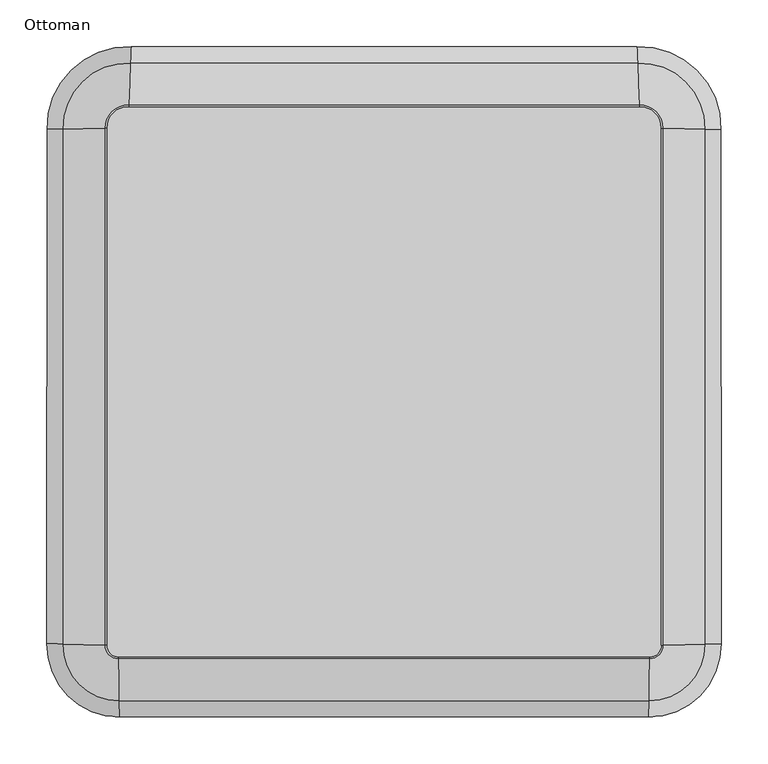
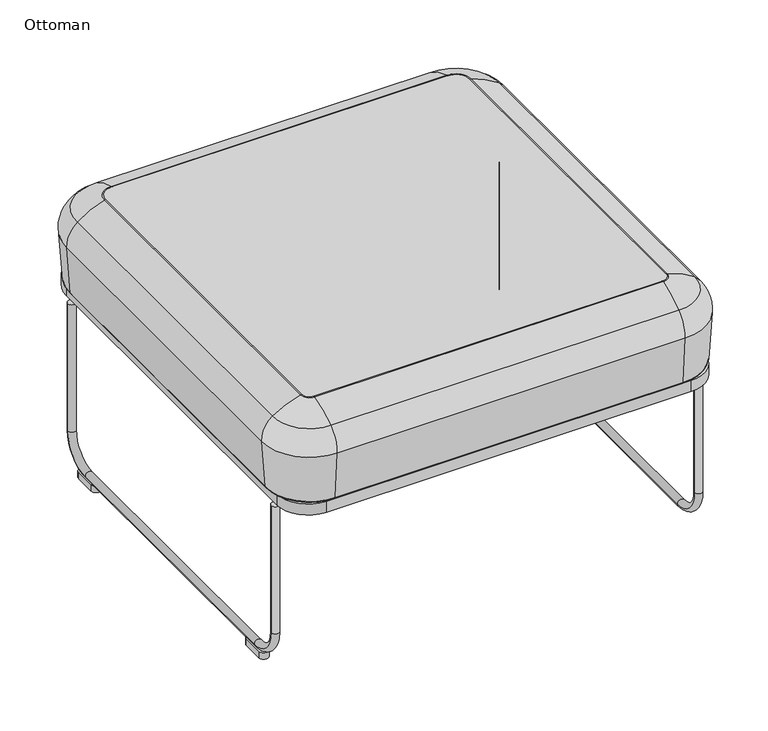
"""IFC4 building model written with IfcOpenShell, lengths in millimetres: furniture geometry, Ottoman."""

from ifc_helpers import new_model, si_unit, point, frame, frame_2d, origin, origin_with_axes, place, context, project, spatial, polyline, circle_curve, ellipse_curve, trimmed, segment, composite_curve, outline, extrude, source, transform, mapped, element, save
from ifc_brep_helpers import plane_surface, cylinder_surface, revolved_surface, advanced_brep


def ottoman_8e5f1be3(model_context):
    return source(origin(), model_context, "Body", "SolidModel", [
        advanced_brep(
        [(-167.4543852, -161.7092284, 425.107536), (396.0543852, -161.7092284, 425.107536), (396.8206981, -117.1105594, 446.6889113), (-168.2206981, -117.1105594, 446.6889113), (-167.1565501, -179.0429391, 387.7913652), (395.7565501, -179.0429391, 387.7913652), (-167.252074, -173.4835407, 308.2765291), (395.852074, -173.4835407, 308.2765291), (-167.3064873, -170.3167423, 305.3230059), (395.9064873, -170.3167423, 305.3230059), (396.8498064, -115.4164843, 446.9191268), (-168.2498064, -115.4164843, 446.9191268), (-180.9132091, -102.6612873, 446.9191268), (-182.6070297, -102.6199443, 446.6889113), (-227.1990008, -101.5315367, 425.107536), (-244.5301083, -101.1085164, 387.7913652), (-238.9715448, -101.2441906, 308.2765291), (-235.805222, -101.3214747, 305.3230059), (-180.8078426, 447.8185464, 446.9191268), (-182.5016789, 447.7778518, 446.6889113), (-227.0940634, 446.7065149, 425.107536), (-244.4253315, 446.2901293, 387.7913652), (-238.8667165, 446.4236756, 308.2765291), (-235.7003644, 446.4997476, 305.3230059), (-157.6631829, 470.5656909, 446.9191268), (-157.5931525, 472.2585681, 446.6889113), (-155.7495149, 516.8257031, 425.107536), (-155.0329671, 534.1471577, 387.7913652), (-155.2627837, 528.5916902, 308.2765291), (-155.3936941, 525.4271309, 305.3230059), (386.2631829, 470.5656909, 446.9191268), (386.1931525, 472.2585681, 446.6889113), (384.3495149, 516.8257031, 425.107536), (383.6329671, 534.1471577, 387.7913652), (383.8627837, 528.5916902, 308.2765291), (383.9936941, 525.4271309, 305.3230059), (409.4078426, 447.8185464, 446.9191268), (411.1016789, 447.7778518, 446.6889113), (455.6940634, 446.7065149, 425.107536), (473.0253315, 446.2901293, 387.7913652), (467.4667165, 446.4236756, 308.2765291), (464.3003644, 446.4997476, 305.3230059), (409.5132091, -102.6612873, 446.9191268), (411.2070297, -102.6199443, 446.6889113), (455.7990008, -101.5315367, 425.107536), (473.1301083, -101.1085164, 387.7913652), (467.5715448, -101.2441906, 308.2765291), (464.405222, -101.3214747, 305.3230059)],
        [
            (0, 1, circle_curve(frame((114.3, -16559.5410967, 425.107536), z_axis=(0.0, 0.0, -1.0), x_axis=(0.017179881139762494, 0.9998524149513385, 0.0)), 16400.2523003)),
            (1, 2, circle_curve(frame((397.4532216, -80.2983084, 313.7059939), z_axis=(-0.9998524149513385, 0.0171798811397625, 0.0), x_axis=(-0.0171798811397625, -0.9998524149513385, 0.0)), 137.9855)),
            (2, 3, circle_curve(frame((114.3, -16559.5410967, 446.6889113), z_axis=(0.0, 0.0, 1.0), x_axis=(0.017179881139762494, 0.9998524149513385, 0.0)), 16444.8575524)),
            (3, 0, circle_curve(frame((-168.8532216, -80.2983084, 313.7059939), z_axis=(0.9998524149513385, 0.017179881139762685, 0.0), x_axis=(0.017179881139762685, -0.9998524149513385, 0.0)), 137.9855)),
            (0, 4, circle_curve(frame((-167.8856877, -136.6078403, 390.7591544), z_axis=(0.9998524149513385, 0.017179881139762692, 0.0), x_axis=(0.017179881139762692, -0.9998524149513385, 0.0)), 42.545)),
            (4, 5, circle_curve(frame((114.3, -16559.5410967, 387.7913652), z_axis=(0.0, 0.0, -1.0), x_axis=(0.017179881139762494, 0.9998524149513385, 0.0)), 16382.9160311)),
            (5, 1, circle_curve(frame((396.4856877, -136.6078403, 390.7591544), z_axis=(-0.9998524149513385, 0.0171798811397625, 0.0), x_axis=(-0.0171798811397625, -0.9998524149513385, 0.0)), 42.545)),
            (4, 6),
            (6, 7, circle_curve(frame((114.3, -16559.5410967, 308.2765291), z_axis=(0.0, 0.0, -1.0), x_axis=(0.017179881139762494, 0.9998524149513385, 0.0)), 16388.4762501)),
            (7, 5),
            (6, 8, circle_curve(frame((-167.3064873, -170.3167423, 308.4980059), z_axis=(0.9998524149513385, 0.017179881139762685, 0.0), x_axis=(0.017179881139762685, -0.9998524149513385, 0.0)), 3.175)),
            (8, 9, circle_curve(frame((114.3, -16559.5410967, 305.3230059), z_axis=(0.0, 0.0, -1.0), x_axis=(0.017179881139762494, 0.9998524149513385, 0.0)), 16391.6435159)),
            (9, 7, circle_curve(frame((395.9064873, -170.3167423, 308.4980059), z_axis=(-0.9998524149513385, 0.0171798811397625, 0.0), x_axis=(-0.0171798811397625, -0.9998524149513385, 0.0)), 3.175)),
            (2, 10, circle_curve(frame((396.8498064, -115.4164843, 440.5691268), z_axis=(-0.9998524149513385, 0.0171798811397625, 0.0), x_axis=(-0.0171798811397625, -0.9998524149513385, 0.0)), 6.35)),
            (10, 11, circle_curve(frame((114.3, -16559.5410967, 446.9191268), z_axis=(0.0, 0.0, 1.0), x_axis=(0.017179881139762494, 0.9998524149513385, 0.0)), 16446.5518775)),
            (11, 3, circle_curve(frame((-168.2498064, -115.4164843, 440.5691268), z_axis=(0.9998524149513385, 0.017179881139762692, 0.0), x_axis=(0.017179881139762692, -0.9998524149513385, 0.0)), 6.35)),
            (11, 12, circle_curve(frame((-168.4637503, -102.9651556, 446.9191268), z_axis=(0.0, 0.0, -1.0), x_axis=(0.017179881139762807, -0.9998524149513385, 0.0)), 12.4531666)),
            (12, 13, circle_curve(frame((-180.9132091, -102.6612873, 440.5691268), z_axis=(-0.02440088431373543, -0.9997022540960422, 0.0), x_axis=(-0.9997022540960422, 0.02440088431373543, 0.0)), 6.35)),
            (13, 3, circle_curve(frame((-168.4637503, -102.9651556, 446.6889113), z_axis=(0.0, 0.0, 1.0), x_axis=(0.017179881139762807, -0.9998524149513385, 0.0)), 14.1474918)),
            (13, 14, circle_curve(frame((-145.8003073, -103.5183283, 313.7059939), z_axis=(-0.024400884314411137, -0.9997022540960256, 0.0), x_axis=(-0.9997022540960256, 0.024400884314411137, 0.0)), 137.9855)),
            (14, 0, circle_curve(frame((-168.4637503, -102.9651556, 425.107536), z_axis=(0.0, 0.0, 1.0), x_axis=(0.017179881139762807, -0.9998524149513385, 0.0)), 58.7527439)),
            (14, 15, circle_curve(frame((-202.1013825, -102.1441232, 390.7591544), z_axis=(-0.02440088431818522, -0.9997022540959335, 0.0), x_axis=(-0.9997022540959335, 0.02440088431818522, 0.0)), 42.545)),
            (15, 4, circle_curve(frame((-168.4637503, -102.9651556, 387.7913652), z_axis=(0.0, 0.0, 1.0), x_axis=(0.017179881139762807, -0.9998524149513385, 0.0)), 76.0890131)),
            (15, 16),
            (16, 6, circle_curve(frame((-168.4637503, -102.9651556, 308.2765291), z_axis=(0.0, 0.0, 1.0), x_axis=(0.017179881139762807, -0.9998524149513385, 0.0)), 70.5287941)),
            (16, 17, circle_curve(frame((-235.805222, -101.3214747, 308.4980059), z_axis=(-0.024400884318385444, -0.9997022540959286, 0.0), x_axis=(-0.9997022540959286, 0.024400884318385444, 0.0)), 3.175)),
            (17, 8, circle_curve(frame((-168.4637503, -102.9651556, 305.3230059), z_axis=(0.0, 0.0, 1.0), x_axis=(0.017179881139762807, -0.9998524149513385, 0.0)), 67.3615283)),
            (12, 18, circle_curve(frame((-11546.6003282, 174.7541286, 446.9191268), z_axis=(0.0, 0.0, 1.0), x_axis=(0.9997022540959043, -0.024400884319382744, 0.0)), 11369.0722138)),
            (18, 19, circle_curve(frame((-180.8078426, 447.8185464, 440.5691268), z_axis=(0.02401817955838131, -0.999711521915548, 0.0), x_axis=(-0.999711521915548, -0.02401817955838131, 0.0)), 6.35)),
            (19, 13, circle_curve(frame((-11546.6003282, 174.7541286, 446.6889113), z_axis=(0.0, 0.0, -1.0), x_axis=(0.9997022540959043, -0.024400884319382744, 0.0)), 11367.3778887)),
            (19, 20, circle_curve(frame((-145.6946153, 448.6621456, 313.7059939), z_axis=(0.02401817955838131, -0.999711521915548, 0.0), x_axis=(-0.999711521915548, -0.02401817955838131, 0.0)), 137.9855)),
            (20, 14, circle_curve(frame((-11546.6003282, 174.7541286, 425.107536), z_axis=(0.0, 0.0, -1.0), x_axis=(0.9997022540959043, -0.024400884319382744, 0.0)), 11322.7726366)),
            (20, 21, circle_curve(frame((-201.9962124, 447.3094935, 390.7591544), z_axis=(0.02401817955838131, -0.999711521915548, 0.0), x_axis=(-0.999711521915548, -0.02401817955838131, 0.0)), 42.545)),
            (21, 15, circle_curve(frame((-11546.6003282, 174.7541286, 387.7913652), z_axis=(0.0, 0.0, -1.0), x_axis=(0.9997022540959043, -0.024400884319382744, 0.0)), 11305.4363673)),
            (21, 22),
            (22, 16, circle_curve(frame((-11546.6003282, 174.7541286, 308.2765291), z_axis=(0.0, 0.0, -1.0), x_axis=(0.9997022540959043, -0.024400884319382744, 0.0)), 11310.9965863)),
            (22, 23, circle_curve(frame((-235.7003644, 446.4997476, 308.4980059), z_axis=(0.02401817955838131, -0.999711521915548, 0.0), x_axis=(-0.999711521915548, -0.02401817955838131, 0.0)), 3.175)),
            (23, 17, circle_curve(frame((-11546.6003282, 174.7541286, 305.3230059), z_axis=(0.0, 0.0, -1.0), x_axis=(0.9997022540959043, -0.024400884319382744, 0.0)), 11314.1638522)),
            (18, 24, circle_curve(frame((-158.5820894, 448.3525226, 446.9191268), z_axis=(0.0, 0.0, -1.0), x_axis=(-0.999711521915548, -0.024018179558381914, 0.0)), 22.2321666)),
            (24, 25, circle_curve(frame((-157.6631829, 470.5656909, 440.5691268), z_axis=(-0.9991454554224839, 0.04133229861255114, 0.0), x_axis=(0.04133229861255114, 0.9991454554224839, 0.0)), 6.35)),
            (25, 19, circle_curve(frame((-158.5820894, 448.3525226, 446.6889113), z_axis=(0.0, 0.0, 1.0), x_axis=(-0.999711521915548, -0.024018179558381914, 0.0)), 23.9264918)),
            (25, 26, circle_curve(frame((-159.1149121, 435.4723458, 313.7059939), z_axis=(-0.9991454554224782, 0.041332298612688015, 0.0), x_axis=(0.041332298612688015, 0.9991454554224782, 0.0)), 137.9855)),
            (26, 20, circle_curve(frame((-158.5820894, 448.3525226, 425.107536), z_axis=(0.0, 0.0, 1.0), x_axis=(-0.999711521915548, -0.024018179558381914, 0.0)), 68.5317439)),
            (26, 27, circle_curve(frame((-156.7871661, 491.7420632, 390.7591544), z_axis=(-0.9991454554224295, 0.04133229861386386, 0.0), x_axis=(0.04133229861386386, 0.9991454554224295, 0.0)), 42.545)),
            (27, 21, circle_curve(frame((-158.5820894, 448.3525226, 387.7913652), z_axis=(0.0, 0.0, 1.0), x_axis=(-0.999711521915548, -0.024018179558381914, 0.0)), 85.8680131)),
            (27, 28),
            (28, 22, circle_curve(frame((-158.5820894, 448.3525226, 308.2765291), z_axis=(0.0, 0.0, 1.0), x_axis=(-0.999711521915548, -0.024018179558381914, 0.0)), 80.3077941)),
            (28, 29, circle_curve(frame((-155.3936941, 525.4271309, 308.4980059), z_axis=(-0.9991454554224257, 0.0413322986139566, 0.0), x_axis=(0.0413322986139566, 0.9991454554224257, 0.0)), 3.175)),
            (29, 23, circle_curve(frame((-158.5820894, 448.3525226, 305.3230059), z_axis=(0.0, 0.0, 1.0), x_axis=(-0.999711521915548, -0.024018179558381914, 0.0)), 77.1405283)),
            (24, 30, circle_curve(frame((114.3, 7044.862, 446.9191268), z_axis=(0.0, 0.0, 1.0), x_axis=(-0.04133229861449432, -0.9991454554224036, 0.0)), 6579.9191433)),
            (30, 31, circle_curve(frame((386.2631829, 470.5656909, 440.5691268), z_axis=(-0.999145455422404, -0.041332298614487555, 0.0), x_axis=(-0.041332298614487555, 0.999145455422404, 0.0)), 6.35)),
            (31, 25, circle_curve(frame((114.3, 7044.862, 446.6889113), z_axis=(0.0, 0.0, -1.0), x_axis=(-0.04133229861449432, -0.9991454554224036, 0.0)), 6578.2248182)),
            (31, 32, circle_curve(frame((387.7149121, 435.4723458, 313.7059939), z_axis=(-0.999145455422404, -0.04133229861448754, 0.0), x_axis=(-0.04133229861448754, 0.999145455422404, 0.0)), 137.9855)),
            (32, 26, circle_curve(frame((114.3, 7044.862, 425.107536), z_axis=(0.0, 0.0, -1.0), x_axis=(-0.04133229861449432, -0.9991454554224036, 0.0)), 6533.6195661)),
            (32, 33, circle_curve(frame((385.3871661, 491.7420632, 390.7591544), z_axis=(-0.999145455422404, -0.04133229861448754, 0.0), x_axis=(-0.04133229861448754, 0.999145455422404, 0.0)), 42.545)),
            (33, 27, circle_curve(frame((114.3, 7044.862, 387.7913652), z_axis=(0.0, 0.0, -1.0), x_axis=(-0.04133229861449432, -0.9991454554224036, 0.0)), 6516.2832968)),
            (33, 34),
            (34, 28, circle_curve(frame((114.3, 7044.862, 308.2765291), z_axis=(0.0, 0.0, -1.0), x_axis=(-0.04133229861449432, -0.9991454554224036, 0.0)), 6521.8435158)),
            (34, 35, circle_curve(frame((383.9936941, 525.4271309, 308.4980059), z_axis=(-0.999145455422404, -0.04133229861448754, 0.0), x_axis=(-0.04133229861448754, 0.999145455422404, 0.0)), 3.175)),
            (35, 29, circle_curve(frame((114.3, 7044.862, 305.3230059), z_axis=(0.0, 0.0, -1.0), x_axis=(-0.04133229861449432, -0.9991454554224036, 0.0)), 6525.0107817)),
            (30, 36, circle_curve(frame((387.1820894, 448.3525226, 446.9191268), z_axis=(0.0, 0.0, -1.0), x_axis=(-0.04133229861448754, 0.9991454554224038, 0.0)), 22.2321666)),
            (36, 37, circle_curve(frame((409.4078426, 447.8185464, 440.5691268), z_axis=(0.024018179558418673, 0.9997115219155471, 0.0), x_axis=(0.9997115219155471, -0.024018179558418673, 0.0)), 6.35)),
            (37, 31, circle_curve(frame((387.1820894, 448.3525226, 446.6889113), z_axis=(0.0, 0.0, 1.0), x_axis=(-0.04133229861448754, 0.9991454554224038, 0.0)), 23.9264918)),
            (37, 38, circle_curve(frame((374.2946153, 448.6621456, 313.7059939), z_axis=(0.02401817955841845, 0.9997115219155471, 0.0), x_axis=(0.9997115219155471, -0.02401817955841845, 0.0)), 137.9855)),
            (38, 32, circle_curve(frame((387.1820894, 448.3525226, 425.107536), z_axis=(0.0, 0.0, 1.0), x_axis=(-0.04133229861448754, 0.9991454554224038, 0.0)), 68.5317439)),
            (38, 39, circle_curve(frame((430.5962124, 447.3094935, 390.7591544), z_axis=(0.024018179558392264, 0.9997115219155478, 0.0), x_axis=(0.9997115219155478, -0.024018179558392264, 0.0)), 42.545)),
            (39, 33, circle_curve(frame((387.1820894, 448.3525226, 387.7913652), z_axis=(0.0, 0.0, 1.0), x_axis=(-0.04133229861448754, 0.9991454554224038, 0.0)), 85.8680131)),
            (39, 40),
            (40, 34, circle_curve(frame((387.1820894, 448.3525226, 308.2765291), z_axis=(0.0, 0.0, 1.0), x_axis=(-0.04133229861448754, 0.9991454554224038, 0.0)), 80.3077941)),
            (40, 41, circle_curve(frame((464.3003644, 446.4997476, 308.4980059), z_axis=(0.02401817955839182, 0.9997115219155477, 0.0), x_axis=(0.9997115219155477, -0.02401817955839182, 0.0)), 3.175)),
            (41, 35, circle_curve(frame((387.1820894, 448.3525226, 305.3230059), z_axis=(0.0, 0.0, 1.0), x_axis=(-0.04133229861448754, 0.9991454554224038, 0.0)), 77.1405283)),
            (36, 42, circle_curve(frame((11775.2003282, 174.7541286, 446.9191268), z_axis=(0.0, 0.0, 1.0), x_axis=(-0.9997115219155481, 0.024018179558381127, 0.0)), 11369.0722138)),
            (42, 43, circle_curve(frame((409.5132091, -102.6612873, 440.5691268), z_axis=(-0.0244008843193764, 0.9997022540959045, 0.0), x_axis=(0.9997022540959045, 0.0244008843193764, 0.0)), 6.35)),
            (43, 37, circle_curve(frame((11775.2003282, 174.7541286, 446.6889113), z_axis=(0.0, 0.0, -1.0), x_axis=(-0.9997115219155481, 0.024018179558381127, 0.0)), 11367.3778887)),
            (43, 44, circle_curve(frame((374.4003073, -103.5183283, 313.7059939), z_axis=(-0.024400884319376395, 0.9997022540959045, 0.0), x_axis=(0.9997022540959045, 0.024400884319376395, 0.0)), 137.9855)),
            (44, 38, circle_curve(frame((11775.2003282, 174.7541286, 425.107536), z_axis=(0.0, 0.0, -1.0), x_axis=(-0.9997115219155481, 0.024018179558381127, 0.0)), 11322.7726366)),
            (44, 45, circle_curve(frame((430.7013825, -102.1441232, 390.7591544), z_axis=(-0.024400884319376353, 0.9997022540959045, 0.0), x_axis=(0.9997022540959045, 0.024400884319376353, 0.0)), 42.545)),
            (45, 39, circle_curve(frame((11775.2003282, 174.7541286, 387.7913652), z_axis=(0.0, 0.0, -1.0), x_axis=(-0.9997115219155481, 0.024018179558381127, 0.0)), 11305.4363673)),
            (45, 46),
            (46, 40, circle_curve(frame((11775.2003282, 174.7541286, 308.2765291), z_axis=(0.0, 0.0, -1.0), x_axis=(-0.9997115219155481, 0.024018179558381127, 0.0)), 11310.9965863)),
            (46, 47, circle_curve(frame((464.405222, -101.3214747, 308.4980059), z_axis=(-0.024400884319376346, 0.9997022540959045, 0.0), x_axis=(0.9997022540959045, 0.024400884319376346, 0.0)), 3.175)),
            (47, 41, circle_curve(frame((11775.2003282, 174.7541286, 305.3230059), z_axis=(0.0, 0.0, -1.0), x_axis=(-0.9997115219155481, 0.024018179558381127, 0.0)), 11314.1638522)),
            (10, 42, circle_curve(frame((397.0637503, -102.9651556, 446.9191268), z_axis=(0.0, 0.0, 1.0), x_axis=(0.9997022540959042, 0.0244008843193877, 0.0)), 12.4531666)),
            (2, 43, circle_curve(frame((397.0637503, -102.9651556, 446.6889113), z_axis=(0.0, 0.0, 1.0), x_axis=(0.9997022540959042, 0.0244008843193877, 0.0)), 14.1474918)),
            (1, 44, circle_curve(frame((397.0637503, -102.9651556, 425.107536), z_axis=(0.0, 0.0, 1.0), x_axis=(0.9997022540959042, 0.0244008843193877, 0.0)), 58.7527439)),
            (5, 45, circle_curve(frame((397.0637503, -102.9651556, 387.7913652), z_axis=(0.0, 0.0, 1.0), x_axis=(0.9997022540959042, 0.0244008843193877, 0.0)), 76.0890131)),
            (7, 46, circle_curve(frame((397.0637503, -102.9651556, 308.2765291), z_axis=(0.0, 0.0, 1.0), x_axis=(0.9997022540959042, 0.0244008843193877, 0.0)), 70.5287941)),
            (9, 47, circle_curve(frame((397.0637503, -102.9651556, 305.3230059), z_axis=(0.0, 0.0, 1.0), x_axis=(0.9997022540959042, 0.0244008843193877, 0.0)), 67.3615283)),
        ],
        [
            revolved_surface(trimmed(ellipse_curve(frame((397.4532216, -80.2983084, 313.7059939), z_axis=(0.9998524149513385, -0.0171798811397625, 0.0), x_axis=(-0.0171798811397625, -0.9998524149513385, 0.0)), 137.9855, 137.9855), [point((396.8206981, -117.1105594, 446.6889113))], [point((396.0543852, -161.7092284, 425.107536))], True, "CARTESIAN"), (114.3, -16559.5410967, 431.8), (0.0, 0.0, 1.0)),
            revolved_surface(trimmed(ellipse_curve(frame((396.4856877, -136.6078403, 390.7591544), z_axis=(0.9998524149513385, -0.0171798811397625, 0.0), x_axis=(-0.0171798811397625, -0.9998524149513385, 0.0)), 42.545, 42.545), [point((396.0543852, -161.7092284, 425.107536))], [point((395.7565501, -179.0429391, 387.7913652))], True, "CARTESIAN"), (114.3, -16559.5410967, 431.8), (0.0, 0.0, 1.0)),
            revolved_surface(polyline([(395.7565501, -179.0429391, 387.7913652), (395.852074, -173.4835407, 308.2765291)]), (114.3, -16559.5410967, 431.8), (0.0, 0.0, 1.0)),
            revolved_surface(trimmed(ellipse_curve(frame((395.9064873, -170.3167423, 308.4980059), z_axis=(0.9998524149513385, -0.0171798811397625, 0.0), x_axis=(-0.0171798811397625, -0.9998524149513385, 0.0)), 3.175, 3.175), [point((395.852074, -173.4835407, 308.2765291))], [point((395.9064873, -170.3167423, 305.3230059))], True, "CARTESIAN"), (114.3, -16559.5410967, 431.8), (0.0, 0.0, 1.0)),
            revolved_surface(trimmed(ellipse_curve(frame((396.8498064, -115.4164843, 440.5691268), z_axis=(0.9998524149513385, -0.0171798811397625, 0.0), x_axis=(-0.0171798811397625, -0.9998524149513385, 0.0)), 6.35, 6.35), [point((396.8498064, -115.4164843, 446.9191268))], [point((396.8206981, -117.1105594, 446.6889113))], True, "CARTESIAN"), (114.3, -16559.5410967, 431.8), (0.0, 0.0, 1.0)),
            revolved_surface(trimmed(ellipse_curve(frame((-168.2498064, -115.4164843, 440.5691268), z_axis=(0.9998524149513385, 0.017179881139762845, 0.0), x_axis=(0.017179881139762845, -0.9998524149513385, 0.0)), 6.35, 6.35), [point((-168.2498064, -115.4164843, 446.9191268))], [point((-168.2206981, -117.1105594, 446.6889113))], True, "CARTESIAN"), (-168.4637503, -102.9651556, 431.8), (0.0, 0.0, -1.0)),
            revolved_surface(trimmed(ellipse_curve(frame((-168.8532216, -80.2983084, 313.7059939), z_axis=(0.9998524149513385, 0.017179881139762845, 0.0), x_axis=(0.017179881139762845, -0.9998524149513385, 0.0)), 137.9855, 137.9855), [point((-168.2206981, -117.1105594, 446.6889113))], [point((-167.4543852, -161.7092284, 425.107536))], True, "CARTESIAN"), (-168.4637503, -102.9651556, 431.8), (0.0, 0.0, -1.0)),
            revolved_surface(trimmed(ellipse_curve(frame((-167.8856877, -136.6078403, 390.7591544), z_axis=(0.9998524149513385, 0.017179881139762845, 0.0), x_axis=(0.017179881139762845, -0.9998524149513385, 0.0)), 42.545, 42.545), [point((-167.4543852, -161.7092284, 425.107536))], [point((-167.1565501, -179.0429391, 387.7913652))], True, "CARTESIAN"), (-168.4637503, -102.9651556, 431.8), (0.0, 0.0, -1.0)),
            revolved_surface(polyline([(-167.1565501, -179.0429391, 387.7913652), (-167.252074, -173.4835407, 308.2765291)]), (-168.4637503, -102.9651556, 431.8), (0.0, 0.0, -1.0)),
            revolved_surface(trimmed(ellipse_curve(frame((-167.3064873, -170.3167423, 308.4980059), z_axis=(0.9998524149513385, 0.017179881139762845, 0.0), x_axis=(0.017179881139762845, -0.9998524149513385, 0.0)), 3.175, 3.175), [point((-167.252074, -173.4835407, 308.2765291))], [point((-167.3064873, -170.3167423, 305.3230059))], True, "CARTESIAN"), (-168.4637503, -102.9651556, 431.8), (0.0, 0.0, -1.0)),
            revolved_surface(trimmed(ellipse_curve(frame((-180.9132091, -102.6612873, 440.5691268), z_axis=(-0.024400884319382782, -0.9997022540959043, 0.0), x_axis=(-0.9997022540959043, 0.024400884319382782, 0.0)), 6.35, 6.35), [point((-180.9132091, -102.6612873, 446.9191268))], [point((-182.6070297, -102.6199443, 446.6889113))], True, "CARTESIAN"), (-11546.6003282, 174.7541286, 431.8), (0.0, 0.0, 1.0)),
            revolved_surface(trimmed(ellipse_curve(frame((-145.8003073, -103.5183283, 313.7059939), z_axis=(-0.024400884319382782, -0.9997022540959043, 0.0), x_axis=(-0.9997022540959043, 0.024400884319382782, 0.0)), 137.9855, 137.9855), [point((-182.6070297, -102.6199443, 446.6889113))], [point((-227.1990008, -101.5315367, 425.107536))], True, "CARTESIAN"), (-11546.6003282, 174.7541286, 431.8), (0.0, 0.0, 1.0)),
            revolved_surface(trimmed(ellipse_curve(frame((-202.1013825, -102.1441232, 390.7591544), z_axis=(-0.024400884319382782, -0.9997022540959043, 0.0), x_axis=(-0.9997022540959043, 0.024400884319382782, 0.0)), 42.545, 42.545), [point((-227.1990008, -101.5315367, 425.107536))], [point((-244.5301083, -101.1085164, 387.7913652))], True, "CARTESIAN"), (-11546.6003282, 174.7541286, 431.8), (0.0, 0.0, 1.0)),
            revolved_surface(polyline([(-244.5301083, -101.1085164, 387.7913652), (-238.9715448, -101.2441906, 308.2765291)]), (-11546.6003282, 174.7541286, 431.8), (0.0, 0.0, 1.0)),
            revolved_surface(trimmed(ellipse_curve(frame((-235.805222, -101.3214747, 308.4980059), z_axis=(-0.024400884319382782, -0.9997022540959043, 0.0), x_axis=(-0.9997022540959043, 0.024400884319382782, 0.0)), 3.175, 3.175), [point((-238.9715448, -101.2441906, 308.2765291))], [point((-235.805222, -101.3214747, 305.3230059))], True, "CARTESIAN"), (-11546.6003282, 174.7541286, 431.8), (0.0, 0.0, 1.0)),
            revolved_surface(trimmed(ellipse_curve(frame((-180.8078426, 447.8185464, 440.5691268), z_axis=(0.024018179558381945, -0.999711521915548, 0.0), x_axis=(-0.999711521915548, -0.024018179558381945, 0.0)), 6.35, 6.35), [point((-180.8078426, 447.8185464, 446.9191268))], [point((-182.5016789, 447.7778518, 446.6889113))], True, "CARTESIAN"), (-158.5820894, 448.3525226, 431.8), (0.0, 0.0, -1.0)),
            revolved_surface(trimmed(ellipse_curve(frame((-145.6946153, 448.6621456, 313.7059939), z_axis=(0.024018179558381945, -0.999711521915548, 0.0), x_axis=(-0.999711521915548, -0.024018179558381945, 0.0)), 137.9855, 137.9855), [point((-182.5016789, 447.7778518, 446.6889113))], [point((-227.0940634, 446.7065149, 425.107536))], True, "CARTESIAN"), (-158.5820894, 448.3525226, 431.8), (0.0, 0.0, -1.0)),
            revolved_surface(trimmed(ellipse_curve(frame((-201.9962124, 447.3094935, 390.7591544), z_axis=(0.024018179558381945, -0.999711521915548, 0.0), x_axis=(-0.999711521915548, -0.024018179558381945, 0.0)), 42.545, 42.545), [point((-227.0940634, 446.7065149, 425.107536))], [point((-244.4253315, 446.2901293, 387.7913652))], True, "CARTESIAN"), (-158.5820894, 448.3525226, 431.8), (0.0, 0.0, -1.0)),
            revolved_surface(polyline([(-244.4253315, 446.2901293, 387.7913652), (-238.8667165, 446.4236756, 308.2765291)]), (-158.5820894, 448.3525226, 431.8), (0.0, 0.0, -1.0)),
            revolved_surface(trimmed(ellipse_curve(frame((-235.7003644, 446.4997476, 308.4980059), z_axis=(0.024018179558381945, -0.999711521915548, 0.0), x_axis=(-0.999711521915548, -0.024018179558381945, 0.0)), 3.175, 3.175), [point((-238.8667165, 446.4236756, 308.2765291))], [point((-235.7003644, 446.4997476, 305.3230059))], True, "CARTESIAN"), (-158.5820894, 448.3525226, 431.8), (0.0, 0.0, -1.0)),
            revolved_surface(trimmed(ellipse_curve(frame((-157.6631829, 470.5656909, 440.5691268), z_axis=(-0.9991454554224036, 0.041332298614494264, 0.0), x_axis=(0.041332298614494264, 0.9991454554224036, 0.0)), 6.35, 6.35), [point((-157.6631829, 470.5656909, 446.9191268))], [point((-157.5931525, 472.2585681, 446.6889113))], True, "CARTESIAN"), (114.3, 7044.862, 431.8), (0.0, 0.0, 1.0)),
            revolved_surface(trimmed(ellipse_curve(frame((-159.1149121, 435.4723458, 313.7059939), z_axis=(-0.9991454554224036, 0.041332298614494264, 0.0), x_axis=(0.041332298614494264, 0.9991454554224036, 0.0)), 137.9855, 137.9855), [point((-157.5931525, 472.2585681, 446.6889113))], [point((-155.7495149, 516.8257031, 425.107536))], True, "CARTESIAN"), (114.3, 7044.862, 431.8), (0.0, 0.0, 1.0)),
            revolved_surface(trimmed(ellipse_curve(frame((-156.7871661, 491.7420632, 390.7591544), z_axis=(-0.9991454554224036, 0.041332298614494264, 0.0), x_axis=(0.041332298614494264, 0.9991454554224036, 0.0)), 42.545, 42.545), [point((-155.7495149, 516.8257031, 425.107536))], [point((-155.0329671, 534.1471577, 387.7913652))], True, "CARTESIAN"), (114.3, 7044.862, 431.8), (0.0, 0.0, 1.0)),
            revolved_surface(polyline([(-155.0329671, 534.1471577, 387.7913652), (-155.2627837, 528.5916902, 308.2765291)]), (114.3, 7044.862, 431.8), (0.0, 0.0, 1.0)),
            revolved_surface(trimmed(ellipse_curve(frame((-155.3936941, 525.4271309, 308.4980059), z_axis=(-0.9991454554224036, 0.041332298614494264, 0.0), x_axis=(0.041332298614494264, 0.9991454554224036, 0.0)), 3.175, 3.175), [point((-155.2627837, 528.5916902, 308.2765291))], [point((-155.3936941, 525.4271309, 305.3230059))], True, "CARTESIAN"), (114.3, 7044.862, 431.8), (0.0, 0.0, 1.0)),
            revolved_surface(trimmed(ellipse_curve(frame((386.2631829, 470.5656909, 440.5691268), z_axis=(-0.9991454554224038, -0.0413322986144876, 0.0), x_axis=(-0.0413322986144876, 0.9991454554224038, 0.0)), 6.35, 6.35), [point((386.2631829, 470.5656909, 446.9191268))], [point((386.1931525, 472.2585681, 446.6889113))], True, "CARTESIAN"), (387.1820894, 448.3525226, 431.8), (0.0, 0.0, -1.0)),
            revolved_surface(trimmed(ellipse_curve(frame((387.7149121, 435.4723458, 313.7059939), z_axis=(-0.9991454554224038, -0.0413322986144876, 0.0), x_axis=(-0.0413322986144876, 0.9991454554224038, 0.0)), 137.9855, 137.9855), [point((386.1931525, 472.2585681, 446.6889113))], [point((384.3495149, 516.8257031, 425.107536))], True, "CARTESIAN"), (387.1820894, 448.3525226, 431.8), (0.0, 0.0, -1.0)),
            revolved_surface(trimmed(ellipse_curve(frame((385.3871661, 491.7420632, 390.7591544), z_axis=(-0.9991454554224038, -0.0413322986144876, 0.0), x_axis=(-0.0413322986144876, 0.9991454554224038, 0.0)), 42.545, 42.545), [point((384.3495149, 516.8257031, 425.107536))], [point((383.6329671, 534.1471577, 387.7913652))], True, "CARTESIAN"), (387.1820894, 448.3525226, 431.8), (0.0, 0.0, -1.0)),
            revolved_surface(polyline([(383.6329671, 534.1471577, 387.7913652), (383.8627837, 528.5916902, 308.2765291)]), (387.1820894, 448.3525226, 431.8), (0.0, 0.0, -1.0)),
            revolved_surface(trimmed(ellipse_curve(frame((383.9936941, 525.4271309, 308.4980059), z_axis=(-0.9991454554224038, -0.0413322986144876, 0.0), x_axis=(-0.0413322986144876, 0.9991454554224038, 0.0)), 3.175, 3.175), [point((383.8627837, 528.5916902, 308.2765291))], [point((383.9936941, 525.4271309, 305.3230059))], True, "CARTESIAN"), (387.1820894, 448.3525226, 431.8), (0.0, 0.0, -1.0)),
            revolved_surface(trimmed(ellipse_curve(frame((409.4078426, 447.8185464, 440.5691268), z_axis=(0.024018179558381064, 0.9997115219155481, 0.0), x_axis=(0.9997115219155481, -0.024018179558381064, 0.0)), 6.35, 6.35), [point((409.4078426, 447.8185464, 446.9191268))], [point((411.1016789, 447.7778518, 446.6889113))], True, "CARTESIAN"), (11775.2003282, 174.7541286, 431.8), (0.0, 0.0, 1.0)),
            revolved_surface(trimmed(ellipse_curve(frame((374.2946153, 448.6621456, 313.7059939), z_axis=(0.024018179558381064, 0.9997115219155481, 0.0), x_axis=(0.9997115219155481, -0.024018179558381064, 0.0)), 137.9855, 137.9855), [point((411.1016789, 447.7778518, 446.6889113))], [point((455.6940634, 446.7065149, 425.107536))], True, "CARTESIAN"), (11775.2003282, 174.7541286, 431.8), (0.0, 0.0, 1.0)),
            revolved_surface(trimmed(ellipse_curve(frame((430.5962124, 447.3094935, 390.7591544), z_axis=(0.024018179558381064, 0.9997115219155481, 0.0), x_axis=(0.9997115219155481, -0.024018179558381064, 0.0)), 42.545, 42.545), [point((455.6940634, 446.7065149, 425.107536))], [point((473.0253315, 446.2901293, 387.7913652))], True, "CARTESIAN"), (11775.2003282, 174.7541286, 431.8), (0.0, 0.0, 1.0)),
            revolved_surface(polyline([(473.0253315, 446.2901293, 387.7913652), (467.4667165, 446.4236756, 308.2765291)]), (11775.2003282, 174.7541286, 431.8), (0.0, 0.0, 1.0)),
            revolved_surface(trimmed(ellipse_curve(frame((464.3003644, 446.4997476, 308.4980059), z_axis=(0.024018179558381064, 0.9997115219155481, 0.0), x_axis=(0.9997115219155481, -0.024018179558381064, 0.0)), 3.175, 3.175), [point((467.4667165, 446.4236756, 308.2765291))], [point((464.3003644, 446.4997476, 305.3230059))], True, "CARTESIAN"), (11775.2003282, 174.7541286, 431.8), (0.0, 0.0, 1.0)),
            plane_surface(frame((397.0637503, -102.9651556, 446.9191268), z_axis=(0.0, 0.0, 1.0), x_axis=(0.9997022540959043, 0.024400884319387705, 0.0))),
            revolved_surface(trimmed(ellipse_curve(frame((409.5132091, -102.6612873, 440.5691268), z_axis=(-0.02440088431938776, 0.9997022540959042, 0.0), x_axis=(0.9997022540959042, 0.02440088431938776, 0.0)), 6.35, 6.35), [point((409.5132091, -102.6612873, 446.9191268))], [point((411.2070297, -102.6199443, 446.6889113))], True, "CARTESIAN"), (397.0637503, -102.9651556, 431.8), (0.0, 0.0, -1.0)),
            revolved_surface(trimmed(ellipse_curve(frame((374.4003073, -103.5183283, 313.7059939), z_axis=(-0.02440088431938776, 0.9997022540959042, 0.0), x_axis=(0.9997022540959042, 0.02440088431938776, 0.0)), 137.9855, 137.9855), [point((411.2070297, -102.6199443, 446.6889113))], [point((455.7990008, -101.5315367, 425.107536))], True, "CARTESIAN"), (397.0637503, -102.9651556, 431.8), (0.0, 0.0, -1.0)),
            revolved_surface(trimmed(ellipse_curve(frame((430.7013825, -102.1441232, 390.7591544), z_axis=(-0.02440088431938776, 0.9997022540959042, 0.0), x_axis=(0.9997022540959042, 0.02440088431938776, 0.0)), 42.545, 42.545), [point((455.7990008, -101.5315367, 425.107536))], [point((473.1301083, -101.1085164, 387.7913652))], True, "CARTESIAN"), (397.0637503, -102.9651556, 431.8), (0.0, 0.0, -1.0)),
            revolved_surface(polyline([(473.1301083, -101.1085164, 387.7913652), (467.5715448, -101.2441906, 308.2765291)]), (397.0637503, -102.9651556, 431.8), (0.0, 0.0, -1.0)),
            revolved_surface(trimmed(ellipse_curve(frame((464.405222, -101.3214747, 308.4980059), z_axis=(-0.02440088431938776, 0.9997022540959042, 0.0), x_axis=(0.9997022540959042, 0.02440088431938776, 0.0)), 3.175, 3.175), [point((467.5715448, -101.2441906, 308.2765291))], [point((464.405222, -101.3214747, 305.3230059))], True, "CARTESIAN"), (397.0637503, -102.9651556, 431.8), (0.0, 0.0, -1.0)),
            plane_surface(frame((397.0637503, -102.9651556, 305.3230059), z_axis=(0.0, 0.0, -1.0), x_axis=(0.9997022540959043, 0.024400884319387705, 0.0))),
        ],
        [
            (0, [[1, 2, 3, 4]]),
            (1, [[-1, 5, 6, 7]]),
            (2, [[-6, 8, 9, 10]]),
            (3, [[-9, 11, 12, 13]]),
            (4, [[-3, 14, 15, 16]]),
            (5, [[-16, 17, 18, 19]]),
            (6, [[-4, -19, 20, 21]]),
            (7, [[-5, -21, 22, 23]]),
            (8, [[-8, -23, 24, 25]]),
            (9, [[-11, -25, 26, 27]]),
            (10, [[-18, 28, 29, 30]]),
            (11, [[-20, -30, 31, 32]]),
            (12, [[-22, -32, 33, 34]]),
            (13, [[-24, -34, 35, 36]]),
            (14, [[-26, -36, 37, 38]]),
            (15, [[-29, 39, 40, 41]]),
            (16, [[-31, -41, 42, 43]]),
            (17, [[-33, -43, 44, 45]]),
            (18, [[-35, -45, 46, 47]]),
            (19, [[-37, -47, 48, 49]]),
            (20, [[-40, 50, 51, 52]]),
            (21, [[-42, -52, 53, 54]]),
            (22, [[-44, -54, 55, 56]]),
            (23, [[-46, -56, 57, 58]]),
            (24, [[-48, -58, 59, 60]]),
            (25, [[-51, 61, 62, 63]]),
            (26, [[-53, -63, 64, 65]]),
            (27, [[-55, -65, 66, 67]]),
            (28, [[-57, -67, 68, 69]]),
            (29, [[-59, -69, 70, 71]]),
            (30, [[-62, 72, 73, 74]]),
            (31, [[-64, -74, 75, 76]]),
            (32, [[-66, -76, 77, 78]]),
            (33, [[-68, -78, 79, 80]]),
            (34, [[-70, -80, 81, 82]]),
            (35, [[-15, 83, -72, -61, -50, -39, -28, -17]]),
            (36, [[-14, 84, -73, -83]]),
            (37, [[-2, 85, -75, -84]]),
            (38, [[-7, 86, -77, -85]]),
            (39, [[-10, 87, -79, -86]]),
            (40, [[-13, 88, -81, -87]]),
            (41, [[-12, -27, -38, -49, -60, -71, -82, -88]]),
        ],
    ),
        extrude(outline(polyline([(-227.6825349, -104.6783184), (-227.6825349, -66.5997924), (456.2825349, -66.5997924), (456.2825349, -104.6783184), (-227.6825349, -104.6783184)])), frame((0.0, 0.0, 283.1300109), z_axis=(0.0, 0.0, 1.0), x_axis=(1.0, 0.0, 0.0)), (0.0, 0.0, 1.0), 3.3459985),
        extrude(outline(polyline([(-227.6825349, 415.8008769), (-227.6825349, 453.8794029), (456.2825349, 453.8794029), (456.2825349, 415.8008769), (-227.6825349, 415.8008769)])), frame((0.0, 0.0, 283.1300109), z_axis=(0.0, 0.0, 1.0), x_axis=(1.0, 0.0, 0.0)), (0.0, 0.0, 1.0), 3.3459985),
        extrude(outline(composite_curve([segment(trimmed(circle_curve(frame_2d((-228.6590435, 427.5637247)), 7.8798642), [point((-236.5389076, 427.5654728))], [point((-220.7791795, 427.5654522))], False, "CARTESIAN"), True, "CONTINUOUS"), segment(polyline([(-220.7791795, 427.5654522), (-220.7715736, 392.8721387)]), True, "CONTINUOUS"), segment(trimmed(circle_curve(frame_2d((-228.6590888, 392.8704094)), 7.8875154), [point((-220.7715736, 392.8721387))], [point((-236.5466041, 392.8721592))], False, "CARTESIAN"), True, "CONTINUOUS"), segment(polyline([(-236.5466041, 392.8721592), (-236.5389076, 427.5654728)]), True, "CONTINUOUS")], self_intersect=False)), origin_with_axes(), (0.0, 0.0, 1.0), 11.1144914),
        extrude(outline(composite_curve([segment(trimmed(circle_curve(frame_2d((-228.6593802, -43.605474)), 7.8875176), [point((-236.5468976, -43.6072238))], [point((-220.7718628, -43.6072238))], False, "CARTESIAN"), True, "CONTINUOUS"), segment(polyline([(-220.7718628, -43.6072238), (-220.7795748, -78.3703547)]), True, "CONTINUOUS"), segment(trimmed(circle_curve(frame_2d((-228.6593802, -78.3686066)), 7.8798056), [point((-220.7795748, -78.3703547))], [point((-236.5391857, -78.3703547))], False, "CARTESIAN"), True, "CONTINUOUS"), segment(polyline([(-236.5391857, -78.3703547), (-236.5468976, -43.6072238)]), True, "CONTINUOUS")], self_intersect=False)), origin_with_axes(), (0.0, 0.0, 1.0), 11.1144914),
        extrude(outline(composite_curve([segment(polyline([(460.5725137, 470.061898), (460.5725137, -120.8400015)]), True, "CONTINUOUS"), segment(trimmed(circle_curve(frame_2d((409.7725137, -120.8400015)), 50.8), [point((460.5725137, -120.8400015))], [point((409.7725137, -171.6400015))], False, "CARTESIAN"), True, "CONTINUOUS"), segment(polyline([(409.7725137, -171.6400015), (-181.1725137, -171.6400015)]), True, "CONTINUOUS"), segment(trimmed(circle_curve(frame_2d((-181.1725137, -120.8400015)), 50.8), [point((-181.1725137, -171.6400015))], [point((-231.9725137, -120.8400015))], False, "CARTESIAN"), True, "CONTINUOUS"), segment(polyline([(-231.9725137, -120.8400015), (-231.9725137, 470.061898)]), True, "CONTINUOUS"), segment(trimmed(circle_curve(frame_2d((-181.1725137, 470.061898)), 50.8), [point((-231.9725137, 470.061898))], [point((-181.1725137, 520.861898))], False, "CARTESIAN"), True, "CONTINUOUS"), segment(polyline([(-181.1725137, 520.861898), (409.7725137, 520.861898)]), True, "CONTINUOUS"), segment(trimmed(circle_curve(frame_2d((409.7725137, 470.061898)), 50.8), [point((409.7725137, 520.861898))], [point((460.5725137, 470.061898))], False, "CARTESIAN"), True, "CONTINUOUS")], self_intersect=False)), frame((0.0, 0.0, 286.4380212), z_axis=(0.0, 0.0, 1.0), x_axis=(1.0, 0.0, 0.0)), (0.0, 0.0, 1.0), 18.8849846),
        advanced_brep(
        [(-222.3254282, 460.3104812, 280.1080775), (-234.9931869, 460.3104812, 280.1080775), (-234.9931869, 460.2669931, 61.8491387), (-222.3254282, 460.2669931, 61.8491387), (-222.3254282, 411.7368666, 13.3286809), (-234.9931869, 411.7368666, 13.3286809), (-234.9931869, -62.5438809, 13.3286809), (-222.3254282, -62.5438809, 13.3286809), (-222.3254282, -111.04447, 61.82927), (-234.9931869, -111.04447, 61.82927), (-222.3254282, -111.04447, 280.1068155), (-234.9931869, -111.04447, 280.1068155)],
        [
            (0, 1, circle_curve(frame((-228.6593075, 460.3104812, 280.1080775), z_axis=(0.0, 0.00019924995065655156, 0.9999999801497284), x_axis=(-1.0, 0.0, 0.0)), 6.3338794)),
            (1, 0, circle_curve(frame((-228.6593075, 460.3104812, 280.1080775), z_axis=(0.0, 0.00019924995065655156, 0.9999999801497284), x_axis=(-1.0, 0.0, 0.0)), 6.3338794)),
            (1, 2),
            (2, 3, circle_curve(frame((-228.6593075, 460.2669931, 61.8491387), z_axis=(0.0, 0.00019924995065655156, 0.9999999801497284), x_axis=(-1.0, 0.0, 0.0)), 6.3338794)),
            (3, 0),
            (3, 2, circle_curve(frame((-228.6593075, 460.2669931, 61.8491387), z_axis=(0.0, 0.00019924995065655156, 0.9999999801497284), x_axis=(-1.0, 0.0, 0.0)), 6.3338794)),
            (4, 3, circle_curve(frame((-222.3254282, 411.7368666, 61.8588083), z_axis=(1.0, 0.0, 0.0), x_axis=(0.0, 0.9999999801497284, -0.00019924995065750433)), 48.5301274)),
            (2, 5, circle_curve(frame((-234.9931869, 411.7368666, 61.8588083), z_axis=(-1.0, 0.0, 0.0), x_axis=(0.0, 0.9999999801497284, -0.00019924995065750433)), 48.5301274)),
            (5, 4, circle_curve(frame((-228.6593075, 411.7368666, 13.3286809), z_axis=(0.0, 1.0, 0.0), x_axis=(-1.0, 0.0, 0.0)), 6.3338794)),
            (4, 5, circle_curve(frame((-228.6593075, 411.7368666, 13.3286809), z_axis=(0.0, 1.0, 0.0), x_axis=(-1.0, 0.0, 0.0)), 6.3338794)),
            (5, 6),
            (6, 7, circle_curve(frame((-228.6593075, -62.5438809, 13.3286809), z_axis=(0.0, 1.0, 0.0), x_axis=(-1.0, 0.0, 0.0)), 6.3338794)),
            (7, 4),
            (7, 6, circle_curve(frame((-228.6593075, -62.5438809, 13.3286809), z_axis=(0.0, 1.0, 0.0), x_axis=(-1.0, 0.0, 0.0)), 6.3338794)),
            (8, 7, circle_curve(frame((-222.3254282, -62.5438809, 61.82927), z_axis=(1.0, 0.0, 0.0), x_axis=(0.0, 0.0, -1.0)), 48.5005892)),
            (6, 9, circle_curve(frame((-234.9931869, -62.5438809, 61.82927), z_axis=(-1.0, 0.0, 0.0), x_axis=(0.0, 0.0, -1.0)), 48.5005892)),
            (9, 8, circle_curve(frame((-228.6593075, -111.04447, 61.82927), z_axis=(0.0, 0.0, -1.0), x_axis=(-1.0, 0.0, 0.0)), 6.3338794)),
            (8, 9, circle_curve(frame((-228.6593075, -111.04447, 61.82927), z_axis=(0.0, 0.0, -1.0), x_axis=(-1.0, 0.0, 0.0)), 6.3338794)),
            (10, 11, circle_curve(frame((-228.6593075, -111.04447, 280.1068155), z_axis=(0.0, 0.0, 1.0), x_axis=(-1.0, 0.0, 0.0)), 6.3338794)),
            (11, 10, circle_curve(frame((-228.6593075, -111.04447, 280.1068155), z_axis=(0.0, 0.0, 1.0), x_axis=(-1.0, 0.0, 0.0)), 6.3338794)),
            (9, 11),
            (10, 8),
        ],
        [
            plane_surface(frame((-234.95, 466.6443536, 280.1068155), z_axis=(0.0, 0.00019924995065655156, 0.9999999801497284), x_axis=(-1.0, 0.0, 0.0))),
            cylinder_surface(frame((-228.6593075, 460.3104812, 280.1080775), z_axis=(0.0, 0.00019924995065655156, 0.9999999801497284), x_axis=(-1.0, 0.0, 0.0)), 6.3338794),
            revolved_surface(trimmed(ellipse_curve(frame((-228.6593075, 460.2669931, 61.8491387), z_axis=(0.0, 0.00019924995065750427, 0.9999999801497284), x_axis=(-1.0, 0.0, 0.0)), 6.3338794, 6.3338794), [point((-234.9931869, 460.2669931, 61.8491387))], [point((-222.3254282, 460.2669931, 61.8491387))], True, "CARTESIAN"), (-234.95, 411.7368666, 61.8588083), (-1.0, 0.0, 0.0)),
            revolved_surface(trimmed(ellipse_curve(frame((-228.6593075, 460.2669931, 61.8491387), z_axis=(0.0, 0.00019924995065750427, 0.9999999801497284), x_axis=(-1.0, 0.0, 0.0)), 6.3338794, 6.3338794), [point((-222.3254282, 460.2669931, 61.8491387))], [point((-234.9931869, 460.2669931, 61.8491387))], True, "CARTESIAN"), (-234.95, 411.7368666, 61.8588083), (-1.0, 0.0, 0.0)),
            cylinder_surface(frame((-228.6593075, 411.7368666, 13.3286809), z_axis=(0.0, 1.0, 0.0), x_axis=(-1.0, 0.0, 0.0)), 6.3338794),
            revolved_surface(trimmed(ellipse_curve(frame((-228.6593075, -62.5438809, 13.3286809), z_axis=(0.0, 1.0, 0.0), x_axis=(-1.0, 0.0, 0.0)), 6.3338794, 6.3338794), [point((-234.9931869, -62.5438809, 13.3286809))], [point((-222.3254282, -62.5438809, 13.3286809))], True, "CARTESIAN"), (-234.95, -62.5438809, 61.82927), (-1.0, 0.0, 0.0)),
            revolved_surface(trimmed(ellipse_curve(frame((-228.6593075, -62.5438809, 13.3286809), z_axis=(0.0, 1.0, 0.0), x_axis=(-1.0, 0.0, 0.0)), 6.3338794, 6.3338794), [point((-222.3254282, -62.5438809, 13.3286809))], [point((-234.9931869, -62.5438809, 13.3286809))], True, "CARTESIAN"), (-234.95, -62.5438809, 61.82927), (-1.0, 0.0, 0.0)),
            plane_surface(frame((-234.95, -117.3783426, 280.1068155), z_axis=(0.0, 0.0, 1.0), x_axis=(-1.0, 0.0, 0.0))),
            cylinder_surface(frame((-228.6593075, -111.04447, 61.82927), z_axis=(0.0, 0.0, -1.0), x_axis=(-1.0, 0.0, 0.0)), 6.3338794),
        ],
        [
            (0, [[1, 2]]),
            (1, [[-2, 3, 4, 5]]),
            (1, [[-1, -5, 6, -3]]),
            (2, [[7, -4, 8, 9]]),
            (3, [[-8, -6, -7, 10]]),
            (4, [[-9, 11, 12, 13]]),
            (4, [[-10, -13, 14, -11]]),
            (5, [[15, -12, 16, 17]]),
            (6, [[-16, -14, -15, 18]]),
            (7, [[19, 20]]),
            (8, [[-17, 21, -19, 22]]),
            (8, [[-18, -22, -20, -21]]),
        ],
    ),
        advanced_brep(
        [(450.9254282, 460.3104812, 280.1080775), (463.5931869, 460.3104812, 280.1080775), (450.9254282, 460.2669931, 61.8491387), (463.5931869, 460.2669931, 61.8491387), (463.5931869, 411.7368666, 13.3286809), (450.9254282, 411.7368666, 13.3286809), (450.9254282, -62.5438809, 13.3286809), (463.5931869, -62.5438809, 13.3286809), (463.5931869, -111.04447, 61.82927), (450.9254282, -111.04447, 61.82927), (450.9254282, -111.04447, 280.1068155), (463.5931869, -111.04447, 280.1068155)],
        [
            (0, 1, circle_curve(frame((457.2593075, 460.3104812, 280.1080775), z_axis=(0.0, 0.00019924995065655156, 0.9999999801497284), x_axis=(1.0, 0.0, 0.0)), 6.3338794)),
            (1, 0, circle_curve(frame((457.2593075, 460.3104812, 280.1080775), z_axis=(0.0, 0.00019924995065655156, 0.9999999801497284), x_axis=(1.0, 0.0, 0.0)), 6.3338794)),
            (0, 2),
            (2, 3, circle_curve(frame((457.2593075, 460.2669931, 61.8491387), z_axis=(0.0, 0.00019924995065655156, 0.9999999801497284), x_axis=(1.0, 0.0, 0.0)), 6.3338794)),
            (3, 1),
            (3, 2, circle_curve(frame((457.2593075, 460.2669931, 61.8491387), z_axis=(0.0, 0.00019924995065655156, 0.9999999801497284), x_axis=(1.0, 0.0, 0.0)), 6.3338794)),
            (4, 3, circle_curve(frame((463.5931869, 411.7368666, 61.8588083), z_axis=(1.0, 0.0, 0.0), x_axis=(0.0, 0.9999999801497284, -0.00019924995065750433)), 48.5301274)),
            (2, 5, circle_curve(frame((450.9254282, 411.7368666, 61.8588083), z_axis=(-1.0, 0.0, 0.0), x_axis=(0.0, 0.9999999801497284, -0.00019924995065750433)), 48.5301274)),
            (5, 4, circle_curve(frame((457.2593075, 411.7368666, 13.3286809), z_axis=(0.0, 1.0, 0.0), x_axis=(1.0, 0.0, 0.0)), 6.3338794)),
            (4, 5, circle_curve(frame((457.2593075, 411.7368666, 13.3286809), z_axis=(0.0, 1.0, 0.0), x_axis=(1.0, 0.0, 0.0)), 6.3338794)),
            (5, 6),
            (6, 7, circle_curve(frame((457.2593075, -62.5438809, 13.3286809), z_axis=(0.0, 1.0, 0.0), x_axis=(1.0, 0.0, 0.0)), 6.3338794)),
            (7, 4),
            (7, 6, circle_curve(frame((457.2593075, -62.5438809, 13.3286809), z_axis=(0.0, 1.0, 0.0), x_axis=(1.0, 0.0, 0.0)), 6.3338794)),
            (8, 7, circle_curve(frame((463.5931869, -62.5438809, 61.82927), z_axis=(1.0, 0.0, 0.0), x_axis=(0.0, 0.0, -1.0)), 48.5005892)),
            (6, 9, circle_curve(frame((450.9254282, -62.5438809, 61.82927), z_axis=(-1.0, 0.0, 0.0), x_axis=(0.0, 0.0, -1.0)), 48.5005892)),
            (9, 8, circle_curve(frame((457.2593075, -111.04447, 61.82927), z_axis=(0.0, 0.0, -1.0), x_axis=(1.0, 0.0, 0.0)), 6.3338794)),
            (8, 9, circle_curve(frame((457.2593075, -111.04447, 61.82927), z_axis=(0.0, 0.0, -1.0), x_axis=(1.0, 0.0, 0.0)), 6.3338794)),
            (10, 11, circle_curve(frame((457.2593075, -111.04447, 280.1068155), z_axis=(0.0, 0.0, 1.0), x_axis=(1.0, 0.0, 0.0)), 6.3338794)),
            (11, 10, circle_curve(frame((457.2593075, -111.04447, 280.1068155), z_axis=(0.0, 0.0, 1.0), x_axis=(1.0, 0.0, 0.0)), 6.3338794)),
            (9, 10),
            (11, 8),
        ],
        [
            plane_surface(frame((463.55, 466.6443536, 280.1068155), z_axis=(0.0, 0.00019924995065655156, 0.9999999801497284), x_axis=(1.0, 0.0, 0.0))),
            cylinder_surface(frame((457.2593075, 460.3104812, 280.1080775), z_axis=(0.0, 0.00019924995065655156, 0.9999999801497284), x_axis=(1.0, 0.0, 0.0)), 6.3338794),
            revolved_surface(trimmed(ellipse_curve(frame((457.2593075, 460.2669931, 61.8491387), z_axis=(0.0, 0.00019924995065750427, 0.9999999801497284), x_axis=(1.0, 0.0, 0.0)), 6.3338794, 6.3338794), [point((450.9254282, 460.2669931, 61.8491387))], [point((463.5931869, 460.2669931, 61.8491387))], True, "CARTESIAN"), (463.55, 411.7368666, 61.8588083), (-1.0, 0.0, 0.0)),
            revolved_surface(trimmed(ellipse_curve(frame((457.2593075, 460.2669931, 61.8491387), z_axis=(0.0, 0.00019924995065750427, 0.9999999801497284), x_axis=(1.0, 0.0, 0.0)), 6.3338794, 6.3338794), [point((463.5931869, 460.2669931, 61.8491387))], [point((450.9254282, 460.2669931, 61.8491387))], True, "CARTESIAN"), (463.55, 411.7368666, 61.8588083), (-1.0, 0.0, 0.0)),
            cylinder_surface(frame((457.2593075, 411.7368666, 13.3286809), z_axis=(0.0, 1.0, 0.0), x_axis=(1.0, 0.0, 0.0)), 6.3338794),
            revolved_surface(trimmed(ellipse_curve(frame((457.2593075, -62.5438809, 13.3286809), z_axis=(0.0, 1.0, 0.0), x_axis=(1.0, 0.0, 0.0)), 6.3338794, 6.3338794), [point((450.9254282, -62.5438809, 13.3286809))], [point((463.5931869, -62.5438809, 13.3286809))], True, "CARTESIAN"), (463.55, -62.5438809, 61.82927), (-1.0, 0.0, 0.0)),
            revolved_surface(trimmed(ellipse_curve(frame((457.2593075, -62.5438809, 13.3286809), z_axis=(0.0, 1.0, 0.0), x_axis=(1.0, 0.0, 0.0)), 6.3338794, 6.3338794), [point((463.5931869, -62.5438809, 13.3286809))], [point((450.9254282, -62.5438809, 13.3286809))], True, "CARTESIAN"), (463.55, -62.5438809, 61.82927), (-1.0, 0.0, 0.0)),
            plane_surface(frame((463.55, -117.3783426, 280.1068155), z_axis=(0.0, 0.0, 1.0), x_axis=(1.0, 0.0, 0.0))),
            cylinder_surface(frame((457.2593075, -111.04447, 61.82927), z_axis=(0.0, 0.0, -1.0), x_axis=(1.0, 0.0, 0.0)), 6.3338794),
        ],
        [
            (0, [[1, 2]]),
            (1, [[-1, 3, 4, 5]]),
            (1, [[-2, -5, 6, -3]]),
            (2, [[7, -4, 8, 9]]),
            (3, [[-8, -6, -7, 10]]),
            (4, [[-9, 11, 12, 13]]),
            (4, [[-10, -13, 14, -11]]),
            (5, [[15, -12, 16, 17]]),
            (6, [[-16, -14, -15, 18]]),
            (7, [[19, 20]]),
            (8, [[-17, 21, -20, 22]]),
            (8, [[-18, -22, -19, -21]]),
        ],
    ),
    ])


if __name__ == "__main__":
    model = new_model("IFC4")
    model_context = context("Model", 3, world=origin())
    ifc_project = project(units=[si_unit("LENGTHUNIT", "METRE", prefix="MILLI")], contexts=[model_context])
    site = spatial("IfcSite", under=ifc_project)
    building = spatial("IfcBuilding", under=site)
    placement = place(None, origin())
    ottoman_shape = ottoman_8e5f1be3(model_context)
    element("IfcFurniture", 1, ObjectType="Ottoman", at=placement, inside=building, context=model_context, shape_type="MappedRepresentation", body=[
        mapped(ottoman_shape, transform((0.0, 0.0, 0.0), x_axis=(1.0, 0.0, 0.0), y_axis=(0.0, 1.0, 0.0), z_axis=(0.0, 0.0, 1.0))),
    ])
    save(model, "model.ifc")
